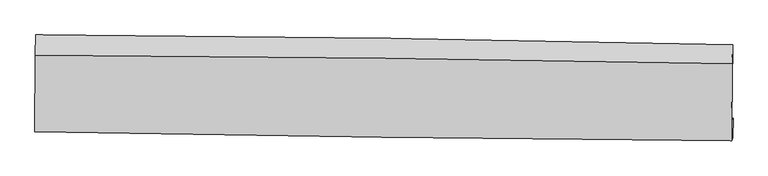
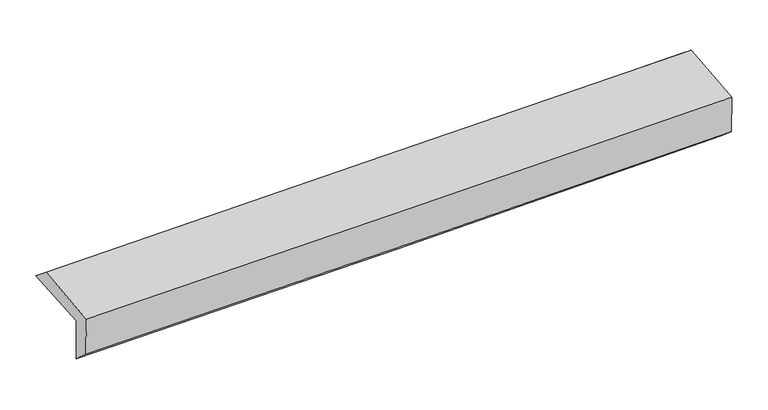
"""IFC4 building model written with IfcOpenShell, lengths in millimetres: proxy geometry."""

from ifc_helpers import new_model, si_unit, frame, origin, place, context, project, spatial, source, transform, mapped, element, save
from ifc_brep_helpers import plane_surface, spline_curve, spline_surface, advanced_brep


def generic_models_8f6ab840(model_context):
    return source(origin(), model_context, "Body", "AdvancedBrep", [
        advanced_brep(
        [(-3028.1795587, -1758.8843635, 1945.862979), (-3023.5017304, -1087.5832086, 1980.9697429), (3013.6776673, -1173.0669628, 2140.0738605), (3008.1480863, -1836.3327681, 2110.3498896), (-3018.8610638, -1742.1083332, 1553.8943062), (3017.9663601, -1808.8397328, 1700.7927939), (-3023.4784398, -1903.8422949, 1694.4512126), (3013.0186327, -1980.7489494, 1843.6491748), (-3032.3160044, -1928.5891577, 2063.0992416), (3004.304558, -2005.150017, 2207.1459745), (-3028.2720618, -1262.103526, 2123.5841973), (3009.1484935, -1338.2998922, 2267.6832983)],
        [
            (0, 1),
            (1, 2, spline_curve(3, [(-3023.5017304, -1087.5832086, 1980.9697429), (-2016.933435975, -1092.129632931, 1991.267502128), (-1010.605974043, -1101.525182577, 2009.672722579), (1001.787263797, -1130.017646795, 2062.703882769), (2007.852934563, -1149.116681936, 2097.333368165), (3013.6776673, -1173.0669628, 2140.0738605)], [4, 2, 4], [0.0, 9.90658262301805, 19.815331301739242])),
            (2, 3),
            (3, 0, spline_curve(3, [(3008.1480863, -1836.3327681, 2110.3498896), (2002.453040917, -1823.094643203, 2064.462083734), (996.523201873, -1810.020859355, 2027.810449359), (-1015.586115955, -1784.204796453, 1972.985516871), (-2021.765491605, -1771.462445343, 1954.808180945), (-3028.1795587, -1758.8843635, 1945.862979)], [4, 2, 4], [0.0, 9.908748678721192, 19.815331301739242])),
            (4, 0),
            (3, 5),
            (5, 4, spline_curve(3, [(3017.9663601, -1808.8397328, 1700.7927939), (2012.114294626, -1794.487863311, 1661.998272332), (1006.064296723, -1781.750547144, 1630.358914509), (-1006.211597996, -1759.507453096, 1581.395879944), (-2012.437407932, -1750.000969264, 1564.069075022), (-3018.8610638, -1742.1083332, 1553.8943062)], [4, 2, 4], [0.0, 9.90793527693807, 19.813704675982898])),
            (6, 4),
            (5, 7),
            (7, 6, spline_curve(3, [(3013.0186327, -1980.7489494, 1843.6491748), (2006.837064682, -1972.314767861, 1818.341578354), (1000.649868585, -1961.687848992, 1793.253281297), (-1011.515824505, -1936.051338989, 1743.520723273), (-2017.494319499, -1921.042706192, 1718.876366138), (-3023.4784398, -1903.8422949, 1694.4512126)], [4, 2, 4], [0.0, 9.907488872629314, 19.81281196494951])),
            (8, 6),
            (7, 9),
            (9, 8, spline_curve(3, [(3004.304558, -2005.150017, 2207.1459745), (1998.143578377, -1996.658184092, 2180.979558146), (991.95638243, -1986.031265092, 2155.891261259), (-1020.250483249, -1960.510045286, 2107.876154973), (-2026.270141363, -1945.616677741, 2084.948874372), (-3032.3160044, -1928.5891577, 2063.0992416)], [4, 2, 4], [0.0, 9.90731936676948, 19.81247299028388])),
            (10, 8),
            (9, 11),
            (11, 10, spline_curve(3, [(3009.1484935, -1338.2998922, 2267.6832983), (2002.901790507, -1319.835600116, 2242.418365787), (996.60505673, -1304.253377975, 2217.776396457), (-1015.868483598, -1278.855849083, 2169.743635106), (-2022.045268462, -1269.039282536, 2146.352570576), (-3028.2720618, -1262.103526, 2123.5841973)], [4, 2, 4], [0.0, 9.907948907385045, 19.813731933897223])),
            (1, 10),
            (11, 2),
        ],
        [
            spline_surface(3, 3, [[(-3028.1795587, -1758.8843635, 1945.862979), (-2021.765491741, -1771.462445274, 1954.808180949), (-1015.58611586, -1784.20479639, 1972.985516825), (996.523201778, -1810.020859418, 2027.810449404), (2002.453040902, -1823.094643161, 2064.462083733), (3008.1480863, -1836.3327681, 2110.3498896)], [(-3026.620282605, -1535.117311885, 1957.565233625), (-2020.154806489, -1545.018174565, 1966.961288028), (-1013.926068595, -1556.644925169, 1985.214585435), (998.277889129, -1583.353121857, 2039.441593867), (2004.253005428, -1598.435322735, 2075.419178562), (3009.991279963, -1615.244166356, 2120.257879916)], [(-3025.061006495, -1311.350260215, 1969.267488275), (-2018.544121221, -1318.573903803, 1979.114395133), (-1012.266021335, -1329.085053904, 1997.443653995), (1000.032576473, -1356.685384251, 2051.072738281), (2006.052969965, -1373.776002242, 2086.376273343), (3011.834473637, -1394.155564544, 2130.165870184)], [(-3023.5017304, -1087.5832086, 1980.9697429), (-2016.933435969, -1092.129633094, 1991.267502212), (-1010.60597407, -1101.525182683, 2009.672722604), (1001.787263823, -1130.017646689, 2062.703882744), (2007.852934491, -1149.116681816, 2097.333368173), (3013.6776673, -1173.0669628, 2140.0738605)]], [4, 4], [4, 2, 4], [0.0, 2.2385161024942875], [0.0, 9.90658262301805, 19.815331301739242]),
            spline_surface(3, 3, [[(-3018.8610638, -1742.1083332, 1553.8943062), (-2012.437407892, -1750.000969399, 1564.06907494), (-1006.211597888, -1759.507453093, 1581.395879895), (1006.064296615, -1781.750547147, 1630.358914558), (2012.114294559, -1794.487863331, 1661.998272176), (3017.9663601, -1808.8397328, 1700.7927939)], [(-3021.967228761, -1747.7003433, 1684.550530468), (-2015.546769169, -1757.154794691, 1694.315443611), (-1009.336437211, -1767.739900847, 1711.925758863), (1002.883931671, -1791.17398456, 1762.842759497), (2008.893876668, -1804.023456618, 1796.15287603), (3014.693602161, -1818.00407791, 1837.311825802)], [(-3025.073393739, -1753.2923534, 1815.206754732), (-2018.656130464, -1764.308619982, 1824.561812278), (-1012.461276538, -1775.972348635, 1842.455637858), (999.703566723, -1800.597422006, 1895.326604464), (2005.673458793, -1813.559049875, 1930.307479878), (3011.420844239, -1827.16842299, 1973.830857698)], [(-3028.1795587, -1758.8843635, 1945.862979), (-2021.765491741, -1771.462445274, 1954.808180949), (-1015.58611586, -1784.20479639, 1972.985516825), (996.523201778, -1810.020859418, 2027.810449404), (2002.453040902, -1823.094643161, 2064.462083733), (3008.1480863, -1836.3327681, 2110.3498896)]], [4, 4], [4, 2, 4], [0.0, 1.2976452283646003], [0.0, 9.905769399044827, 19.813704675982898]),
            spline_surface(3, 3, [[(-3023.4784398, -1903.8422949, 1694.4512126), (-2017.494319546, -1921.042706324, 1718.876366023), (-1011.515824604, -1936.05133895, 1743.520723192), (1000.649868684, -1961.687849031, 1793.253281379), (2006.837064587, -1972.314767865, 1818.341578301), (3013.0186327, -1980.7489494, 1843.6491748)], [(-3021.939314469, -1849.930974339, 1647.598910441), (-2015.80868233, -1864.028794022, 1667.273935636), (-1009.747749015, -1877.20337702, 1689.47910874), (1002.454678011, -1901.708748425, 1738.955159086), (2008.596141257, -1913.039133001, 1766.227142908), (3014.667875179, -1923.445877181, 1796.030381149)], [(-3020.400189131, -1796.019653761, 1600.746608359), (-2014.123045107, -1807.014881701, 1615.671505326), (-1007.979673476, -1818.355415023, 1635.437494346), (1004.259487288, -1841.729647753, 1684.657036851), (2010.355217889, -1853.763498195, 1714.112707568), (3016.317117621, -1866.142805019, 1748.411587551)], [(-3018.8610638, -1742.1083332, 1553.8943062), (-2012.437407892, -1750.000969399, 1564.06907494), (-1006.211597888, -1759.507453093, 1581.395879895), (1006.064296615, -1781.750547147, 1630.358914558), (2012.114294559, -1794.487863331, 1661.998272176), (3017.9663601, -1808.8397328, 1700.7927939)]], [4, 4], [4, 2, 4], [0.0, 0.7915461447376686], [0.0, 9.905323092320197, 19.81281196494951]),
            spline_surface(3, 3, [[(-3032.3160044, -1928.5891577, 2063.0992416), (-2026.270141427, -1945.61667776, 2084.94887421), (-1020.25048321, -1960.510045304, 2107.876154961), (991.956382391, -1986.031265074, 2155.891261272), (1998.143578294, -1996.658184008, 2180.979558193), (3004.304558, -2005.150017, 2207.1459745)], [(-3029.370149534, -1920.34020341, 1940.216565272), (-2023.344867467, -1937.425353925, 1962.92470482), (-1017.338930354, -1952.357143172, 1986.424344383), (994.854211143, -1977.916793045, 2035.011934653), (2001.041407046, -1988.543711979, 2060.100231575), (3007.209249554, -1997.016327819, 2085.980374612)], [(-3026.424294666, -1912.09124919, 1817.333888928), (-2020.419593506, -1929.234030159, 1840.900535414), (-1014.42737746, -1944.204241083, 1864.972533769), (997.752039932, -1969.80232106, 1914.132607998), (2003.939235835, -1980.429239894, 1939.220904919), (3010.113941146, -1988.882638581, 1964.814774688)], [(-3023.4784398, -1903.8422949, 1694.4512126), (-2017.494319546, -1921.042706324, 1718.876366023), (-1011.515824604, -1936.05133895, 1743.520723192), (1000.649868684, -1961.687849031, 1793.253281379), (2006.837064587, -1972.314767865, 1818.341578301), (3013.0186327, -1980.7489494, 1843.6491748)]], [4, 4], [4, 2, 4], [0.0, 1.195599751134474], [0.0, 9.9051536235144, 19.81247299028388]),
            spline_surface(3, 3, [[(-3028.2720618, -1262.103526, 2123.5841973), (-2022.045268385, -1269.039282602, 2146.352570726), (-1015.868483584, -1278.855849117, 2169.743635101), (996.605056716, -1304.25337794, 2217.776396462), (2002.901790357, -1319.835600169, 2242.418365704), (3009.1484935, -1338.2998922, 2267.6832983)], [(-3029.620042662, -1484.265403228, 2103.422545424), (-2023.453559395, -1494.565080983, 2125.884671912), (-1017.329150129, -1506.073914527, 2149.121141724), (995.055498604, -1531.512673666, 2197.148018068), (2001.315719685, -1545.443128093, 2221.938763181), (3007.533848349, -1560.583267111, 2247.504190347)], [(-3030.968023538, -1706.427280472, 2083.260893476), (-2024.861850417, -1720.090879379, 2105.416773025), (-1018.789816664, -1733.291979895, 2128.498648338), (993.505940503, -1758.771969349, 2176.519639666), (1999.729648966, -1771.050656084, 2201.459160717), (3005.919203151, -1782.866642089, 2227.325082453)], [(-3032.3160044, -1928.5891577, 2063.0992416), (-2026.270141427, -1945.61667776, 2084.94887421), (-1020.25048321, -1960.510045304, 2107.876154961), (991.956382391, -1986.031265074, 2155.891261272), (1998.143578294, -1996.658184008, 2180.979558193), (3004.304558, -2005.150017, 2207.1459745)]], [4, 4], [4, 2, 4], [0.0, 2.2458441771501567], [0.0, 9.905783026512179, 19.813731933897223]),
            spline_surface(3, 3, [[(-3023.5017304, -1087.5832086, 1980.9697429), (-2016.933435969, -1092.129633094, 1991.267502212), (-1010.60597407, -1101.525182683, 2009.672722604), (1001.787263823, -1130.017646689, 2062.703882744), (2007.852934491, -1149.116681816, 2097.333368173), (3013.6776673, -1173.0669628, 2140.0738605)], [(-3025.091840869, -1145.756647738, 2028.507894371), (-2018.63738011, -1151.099516268, 2042.962525054), (-1012.360143911, -1160.635404802, 2063.029693433), (1000.059861451, -1188.096223747, 2114.394720646), (2006.202553106, -1206.022987924, 2145.695034023), (3012.167942693, -1228.144605924, 2182.610339773)], [(-3026.681951331, -1203.930086862, 2076.046045829), (-2020.341324244, -1210.069399428, 2094.657547884), (-1014.114313742, -1219.745626998, 2116.386664272), (998.332459088, -1246.174800882, 2166.085558559), (2004.552171742, -1262.929294061, 2194.056699854), (3010.658218107, -1283.222249076, 2225.146819027)], [(-3028.2720618, -1262.103526, 2123.5841973), (-2022.045268385, -1269.039282602, 2146.352570726), (-1015.868483584, -1278.855849117, 2169.743635101), (996.605056716, -1304.25337794, 2217.776396462), (2002.901790357, -1319.835600169, 2242.418365704), (3009.1484935, -1338.2998922, 2267.6832983)]], [4, 4], [4, 2, 4], [0.0, 0.7746920981703905], [0.0, 9.906799479113609, 19.815765061345537]),
            plane_surface(frame((3011.0439663, -1690.406387, 2044.9491653), z_axis=(0.9996836810371411, -0.009380040558498894, 0.02333565313318698), x_axis=(0.023912234530428372, 0.06695880773559473, -0.997469158975048))),
            plane_surface(frame((-3025.7681432, -1613.851814, 1893.6436133), z_axis=(-0.9996922613001964, 0.0081907174235284, -0.02341569654287804), x_axis=(-0.006958622764708277, -0.9986111532367972, -0.05222396193599965))),
        ],
        [
            (0, [[1, 2, 3, 4]]),
            (1, [[5, -4, 6, 7]]),
            (2, [[8, -7, 9, 10]]),
            (3, [[11, -10, 12, 13]]),
            (4, [[14, -13, 15, 16]]),
            (5, [[17, -16, 18, -2]]),
            (6, [[-12, -9, -6, -3, -18, -15]]),
            (7, [[-1, -5, -8, -11, -14, -17]]),
        ],
    ),
    ])


if __name__ == "__main__":
    model = new_model("IFC4")
    model_context = context("Model", 3, world=origin())
    ifc_project = project(units=[si_unit("LENGTHUNIT", "METRE", prefix="MILLI")], contexts=[model_context])
    site = spatial("IfcSite", under=ifc_project)
    building = spatial("IfcBuilding", under=site)
    placement = place(None, origin())
    generic_models_shape = generic_models_8f6ab840(model_context)
    element("IfcBuildingElementProxy", 1, Name="Generic Models", at=placement, inside=building, context=model_context, shape_type="MappedRepresentation", body=[
        mapped(generic_models_shape, transform((0.0, 0.0, 0.0), x_axis=(1.0, 0.0, 0.0), y_axis=(0.0, 1.0, 0.0), z_axis=(0.0, 0.0, 1.0))),
    ])
    save(model, "model.ifc")
